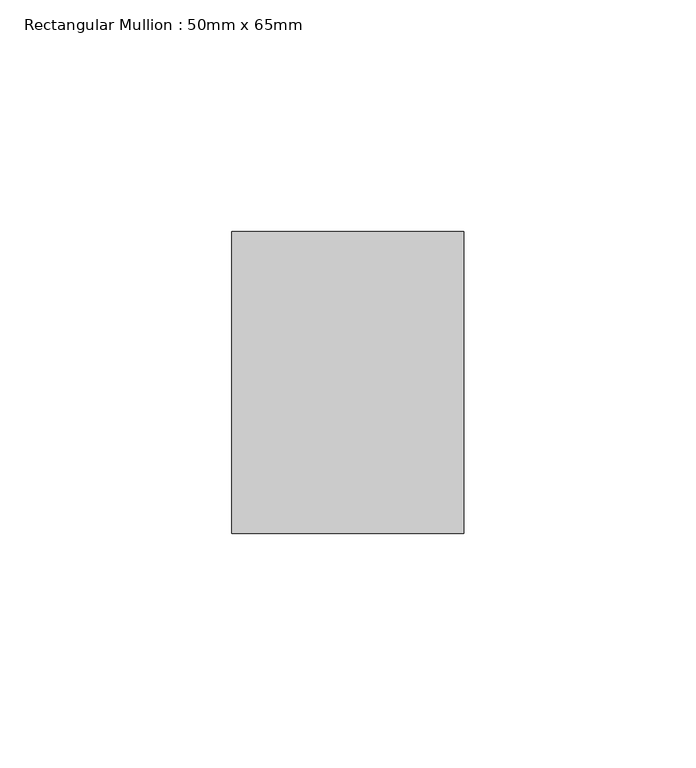
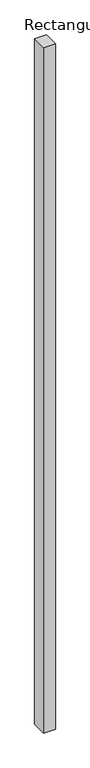
"""IFC4 building model written with IfcOpenShell, lengths in millimetres: member geometry, Rectangular Mullion : 50mm x 65mm."""

from ifc_helpers import new_model, si_unit, frame, origin, place, context, project, spatial, polyline, outline, extrude, source, transform, mapped, element, save


def rectangular_mullion_50mm_x_65mm_c3ba2f8b(model_context):
    return source(origin(), model_context, "Body", "SweptSolid", [
        extrude(outline(polyline([(25.0, 32.5), (25.0, -32.5), (-25.0, -32.5), (-25.0, 32.5), (25.0, 32.5)])), frame((0.0, 0.0, -3078.7106455), z_axis=(0.0, 0.0, 1.0), x_axis=(1.0, 0.0, 0.0)), (0.0, 0.0, 1.0), 3078.7106455),
    ])


if __name__ == "__main__":
    model = new_model("IFC4")
    model_context = context("Model", 3, world=origin())
    ifc_project = project(units=[si_unit("LENGTHUNIT", "METRE", prefix="MILLI")], contexts=[model_context])
    site = spatial("IfcSite", under=ifc_project)
    building = spatial("IfcBuilding", under=site)
    placement = place(None, origin())
    rectangular_mullion_50mm_x_65mm_shape = rectangular_mullion_50mm_x_65mm_c3ba2f8b(model_context)
    element("IfcMember", 1, ObjectType="Rectangular Mullion : 50mm x 65mm", at=placement, inside=building, context=model_context, shape_type="MappedRepresentation", body=[
        mapped(rectangular_mullion_50mm_x_65mm_shape, transform((0.0, 0.0, 0.0), x_axis=(1.0, 0.0, 0.0), y_axis=(0.0, 1.0, 0.0), z_axis=(0.0, 0.0, 1.0))),
    ])
    save(model, "model.ifc")
